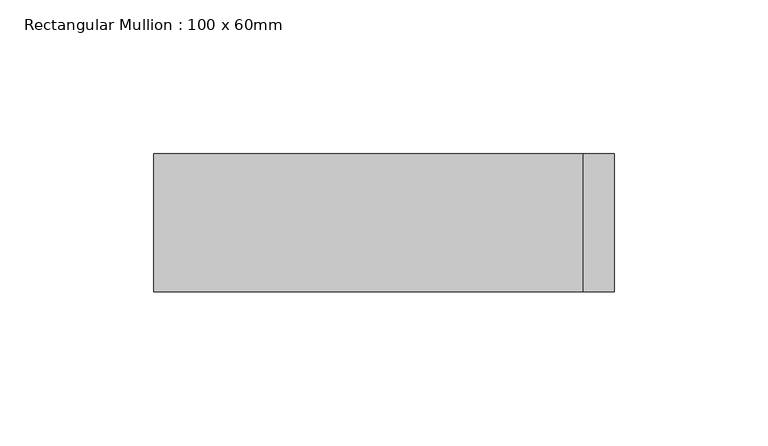
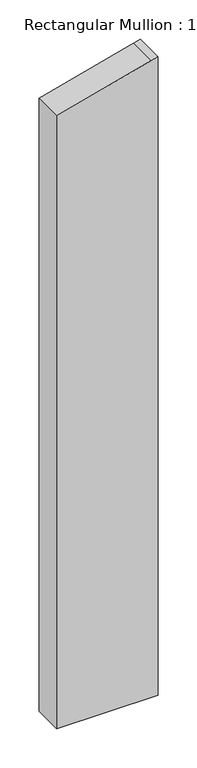
"""IFC4 building model written with IfcOpenShell, lengths in millimetres: member geometry, Rectangular Mullion : 100 x 60mm."""

from ifc_helpers import new_model, si_unit, frame, origin, place, context, project, spatial, polyline, outline, extrude, source, transform, mapped, element, save


def rectangular_mullion_100_x_60mm_aea073f7(model_context):
    return source(origin(), model_context, "Body", "SweptSolid", [
        extrude(outline(polyline([(-238.7228557, 75.0), (-241.4814566, 64.7047613), (-278.9152345, -75.0), (-1236.8339392, -75.0), (-1236.8339392, 75.0), (-238.7228557, 75.0)])), frame((0.0, -15.0, 0.0), z_axis=(0.0, 1.0, 0.0), x_axis=(0.0, 0.0, 1.0)), (0.0, 0.0, 1.0), 45.0),
    ])


if __name__ == "__main__":
    model = new_model("IFC4")
    model_context = context("Model", 3, world=origin())
    ifc_project = project(units=[si_unit("LENGTHUNIT", "METRE", prefix="MILLI")], contexts=[model_context])
    site = spatial("IfcSite", under=ifc_project)
    building = spatial("IfcBuilding", under=site)
    placement = place(None, origin())
    rectangular_mullion_100_x_60mm_shape = rectangular_mullion_100_x_60mm_aea073f7(model_context)
    element("IfcMember", 1, ObjectType="Rectangular Mullion : 100 x 60mm", at=placement, inside=building, context=model_context, shape_type="MappedRepresentation", body=[
        mapped(rectangular_mullion_100_x_60mm_shape, transform((0.0, 0.0, 0.0), x_axis=(1.0, 0.0, 0.0), y_axis=(0.0, 1.0, 0.0), z_axis=(0.0, 0.0, 1.0))),
    ])
    save(model, "model.ifc")
